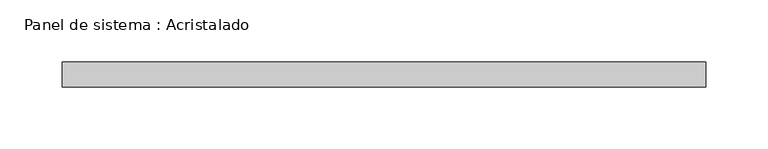
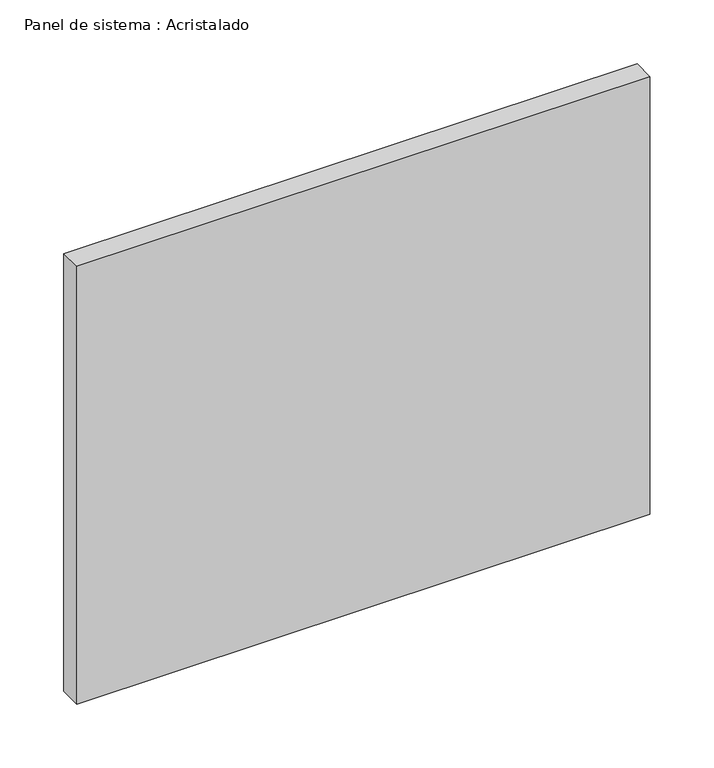
"""IFC4 building model written with IfcOpenShell, lengths in millimetres: plate geometry, Panel de sistema : Acristalado."""

from ifc_helpers import new_model, si_unit, origin, origin_with_axes, place, context, project, spatial, polyline, outline, extrude, source, transform, mapped, element, save


def panel_de_sistema_acristalado_39374071(model_context):
    return source(origin(), model_context, "Body", "SweptSolid", [
        extrude(outline(polyline([(258.8333333, -10.0), (-258.8333333, -10.0), (-258.8333333, 10.0), (258.8333333, 10.0), (258.8333333, -10.0)])), origin_with_axes(), (0.0, 0.0, 1.0), 417.7452144),
    ])


if __name__ == "__main__":
    model = new_model("IFC4")
    model_context = context("Model", 3, world=origin())
    ifc_project = project(units=[si_unit("LENGTHUNIT", "METRE", prefix="MILLI")], contexts=[model_context])
    site = spatial("IfcSite", under=ifc_project)
    building = spatial("IfcBuilding", under=site)
    placement = place(None, origin())
    panel_de_sistema_acristalado_shape = panel_de_sistema_acristalado_39374071(model_context)
    element("IfcPlate", 1, ObjectType="Panel de sistema : Acristalado", at=placement, inside=building, context=model_context, shape_type="MappedRepresentation", body=[
        mapped(panel_de_sistema_acristalado_shape, transform((0.0, 0.0, 0.0), x_axis=(1.0, 0.0, 0.0), y_axis=(0.0, 1.0, 0.0), z_axis=(0.0, 0.0, 1.0))),
    ])
    save(model, "model.ifc")
